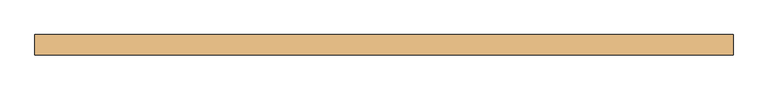
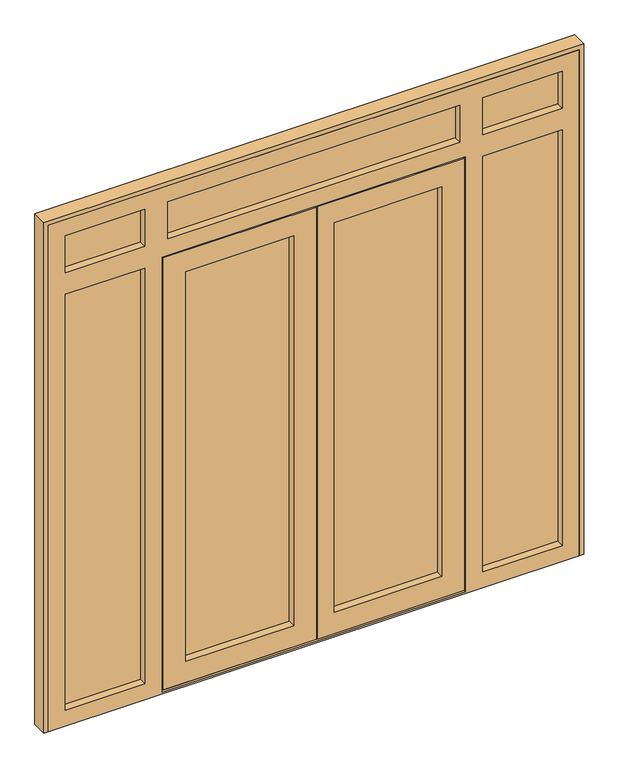
"""IFC4 building model written with IfcOpenShell, lengths in millimetres: door geometry."""

from ifc_helpers import new_model, si_unit, frame, origin, place, context, project, spatial, polyline, outline, extrude, faceted_brep, source, transform, mapped, element, save


def door_2cb1b5ca(model_context):
    return source(origin(), model_context, "Body", "SolidModel", [
        extrude(outline(polyline([(53.0, 91.0), (53.0, 65.0), (-462.0, 65.0), (-462.0, 91.0), (53.0, 91.0)])), frame((0.0, 0.0, 99.0), z_axis=(0.0, 0.0, 1.0), x_axis=(1.0, 0.0, 0.0)), (0.0, 0.0, 1.0), 1868.0),
        extrude(outline(polyline([(712.0, 91.0), (712.0, 65.0), (197.0, 65.0), (197.0, 91.0), (712.0, 91.0)])), frame((0.0, 0.0, 99.0), z_axis=(0.0, 0.0, 1.0), x_axis=(1.0, 0.0, 0.0)), (0.0, 0.0, 1.0), 1868.0),
        extrude(outline(polyline([(792.0, 91.0), (792.0, 65.0), (-542.0, 65.0), (-542.0, 91.0), (792.0, 91.0)])), frame((0.0, 0.0, 2113.0), z_axis=(0.0, 0.0, 1.0), x_axis=(1.0, 0.0, 0.0)), (0.0, 0.0, 1.0), 210.0),
        extrude(outline(polyline([(1248.0, 91.0), (1248.0, 65.0), (858.0, 65.0), (858.0, 91.0), (1248.0, 91.0)])), frame((0.0, 0.0, 2113.0), z_axis=(0.0, 0.0, 1.0), x_axis=(1.0, 0.0, 0.0)), (0.0, 0.0, 1.0), 210.0),
        extrude(outline(polyline([(-608.0, 91.0), (-608.0, 65.0), (-998.0, 65.0), (-998.0, 91.0), (-608.0, 91.0)])), frame((0.0, 0.0, 2113.0), z_axis=(0.0, 0.0, 1.0), x_axis=(1.0, 0.0, 0.0)), (0.0, 0.0, 1.0), 210.0),
        extrude(outline(polyline([(1248.0, 91.0), (1248.0, 65.0), (858.0, 65.0), (858.0, 91.0), (1248.0, 91.0)])), frame((0.0, 0.0, 57.0), z_axis=(0.0, 0.0, 1.0), x_axis=(1.0, 0.0, 0.0)), (0.0, 0.0, 1.0), 1990.0),
        extrude(outline(polyline([(-608.0, 91.0), (-608.0, 65.0), (-998.0, 65.0), (-998.0, 91.0), (-608.0, 91.0)])), frame((0.0, 0.0, 57.0), z_axis=(0.0, 0.0, 1.0), x_axis=(1.0, 0.0, 0.0)), (0.0, 0.0, 1.0), 1990.0),
        faceted_brep([(-544.0, 39.0, 17.0), (-534.0, 39.0, 17.0), (-534.0, 91.0, 17.0), (-524.0, 91.0, 17.0), (-524.0, 39.0, 17.0), (135.0, 39.0, 17.0), (135.0, 30.0, 17.0), (-544.0, 30.0, 17.0), (794.0, 39.0, 17.0), (794.0, 30.0, 17.0), (140.0, 30.0, 17.0), (140.0, 39.0, 17.0), (774.0, 39.0, 17.0), (774.0, 91.0, 17.0), (784.0, 91.0, 17.0), (784.0, 39.0, 17.0), (-544.0, 30.0, 2049.0), (-544.0, 39.0, 2049.0), (135.0, 30.0, 2049.0), (-444.0, 30.0, 1949.0), (35.0, 30.0, 1949.0), (35.0, 30.0, 117.0), (-444.0, 30.0, 117.0), (794.0, 30.0, 2049.0), (140.0, 30.0, 2049.0), (694.0, 30.0, 117.0), (215.0, 30.0, 117.0), (215.0, 30.0, 1949.0), (694.0, 30.0, 1949.0), (-444.0, 65.0, 117.0), (-444.0, 65.0, 1949.0), (712.0, 65.0, 99.0), (197.0, 65.0, 99.0), (197.0, 65.0, 1967.0), (712.0, 65.0, 1967.0), (694.0, 65.0, 1949.0), (215.0, 65.0, 1949.0), (215.0, 65.0, 117.0), (694.0, 65.0, 117.0), (-462.0, 65.0, 1967.0), (53.0, 65.0, 1967.0), (53.0, 65.0, 99.0), (-462.0, 65.0, 99.0), (35.0, 65.0, 117.0), (35.0, 65.0, 1949.0), (-462.0, 91.0, 99.0), (-462.0, 91.0, 1967.0), (712.0, 91.0, 1967.0), (197.0, 91.0, 1967.0), (197.0, 91.0, 99.0), (712.0, 91.0, 99.0), (694.0, 91.0, 117.0), (215.0, 91.0, 117.0), (215.0, 91.0, 1949.0), (694.0, 91.0, 1949.0), (53.0, 91.0, 99.0), (53.0, 91.0, 1967.0), (-444.0, 91.0, 1949.0), (35.0, 91.0, 1949.0), (35.0, 91.0, 117.0), (-444.0, 91.0, 117.0), (-444.0, 100.0, 117.0), (-444.0, 100.0, 1949.0), (769.0, 100.0, 42.0), (115.0, 100.0, 42.0), (115.0, 100.0, 2024.0), (769.0, 100.0, 2024.0), (694.0, 100.0, 1949.0), (215.0, 100.0, 1949.0), (215.0, 100.0, 117.0), (694.0, 100.0, 117.0), (-519.0, 100.0, 2024.0), (110.0, 100.0, 2024.0), (110.0, 100.0, 42.0), (-519.0, 100.0, 42.0), (35.0, 100.0, 117.0), (35.0, 100.0, 1949.0), (-519.0, 91.0, 42.0), (-519.0, 91.0, 2024.0), (774.0, 91.0, 27.0), (-524.0, 91.0, 27.0), (-534.0, 91.0, 2039.0), (784.0, 91.0, 2039.0), (769.0, 91.0, 2024.0), (115.0, 91.0, 2024.0), (115.0, 91.0, 42.0), (769.0, 91.0, 42.0), (110.0, 91.0, 42.0), (110.0, 91.0, 2024.0), (-534.0, 39.0, 2039.0), (135.0, 39.0, 2049.0), (135.0, 39.0, 2039.0), (784.0, 39.0, 2039.0), (140.0, 39.0, 2039.0), (140.0, 39.0, 2049.0), (794.0, 39.0, 2049.0), (774.0, 39.0, 27.0), (-524.0, 39.0, 27.0), (140.0, 39.0, 27.0), (135.0, 39.0, 27.0)], [[[0, 1, 2, 3, 4, 5, 6, 7]], [[8, 9, 10, 11, 12, 13, 14, 15]], [[7, 16, 17, 0]], [[7, 6, 18, 16], [19, 20, 21, 22]], [[23, 24, 10, 9], [25, 26, 27, 28]], [[19, 22, 29, 30]], [[31, 32, 33, 34], [35, 36, 37, 38]], [[39, 40, 41, 42], [29, 43, 44, 30]], [[39, 42, 45, 46]], [[47, 48, 49, 50], [51, 52, 53, 54]], [[45, 55, 56, 46], [57, 58, 59, 60]], [[57, 60, 61, 62]], [[63, 64, 65, 66], [67, 68, 69, 70]], [[71, 72, 73, 74], [61, 75, 76, 62]], [[71, 74, 77, 78]], [[14, 13, 79, 80, 3, 2, 81, 82], [83, 84, 85, 86], [87, 88, 78, 77]], [[1, 89, 81, 2]], [[0, 17, 90, 91, 89, 1]], [[92, 93, 94, 95, 8, 15]], [[16, 18, 90, 17]], [[95, 94, 24, 23]], [[30, 44, 20, 19]], [[28, 27, 36, 35]], [[46, 56, 40, 39]], [[34, 33, 48, 47]], [[62, 76, 58, 57]], [[54, 53, 68, 67]], [[78, 88, 72, 71]], [[66, 65, 84, 83]], [[89, 91, 93, 92, 82, 81]], [[9, 8, 95, 23]], [[35, 38, 25, 28]], [[47, 50, 31, 34]], [[67, 70, 51, 54]], [[83, 86, 63, 66]], [[82, 92, 15, 14]], [[38, 37, 26, 25]], [[22, 21, 43, 29]], [[42, 41, 55, 45]], [[50, 49, 32, 31]], [[70, 69, 52, 51]], [[60, 59, 75, 61]], [[79, 13, 12, 96]], [[97, 4, 3, 80]], [[96, 98, 99, 97, 80, 79]], [[74, 73, 87, 77]], [[86, 85, 64, 63]], [[12, 11, 98, 96]], [[97, 99, 5, 4]], [[65, 64, 85, 84]], [[68, 53, 52, 69]], [[33, 32, 49, 48]], [[36, 27, 26, 37]], [[10, 24, 94, 93, 98, 11]], [[91, 99, 98, 93]], [[5, 99, 91, 90, 18, 6]], [[43, 21, 20, 44]], [[56, 55, 41, 40]], [[75, 59, 58, 76]], [[73, 72, 88, 87]]]),
        faceted_brep([(-980.0, 30.0, 2305.0), (-980.0, 30.0, 2131.0), (-980.0, 65.0, 2131.0), (-980.0, 65.0, 2305.0), (-980.0, 65.0, 75.0), (-980.0, 65.0, 2029.0), (-980.0, 30.0, 2029.0), (-980.0, 30.0, 75.0), (-998.0, 65.0, 2323.0), (-998.0, 65.0, 2113.0), (-998.0, 91.0, 2113.0), (-998.0, 91.0, 2323.0), (-998.0, 91.0, 57.0), (-998.0, 91.0, 2047.0), (-998.0, 65.0, 2047.0), (-998.0, 65.0, 57.0), (-980.0, 91.0, 2305.0), (-980.0, 91.0, 2131.0), (-980.0, 100.0, 2131.0), (-980.0, 100.0, 2305.0), (-980.0, 100.0, 75.0), (-980.0, 100.0, 2029.0), (-980.0, 91.0, 2029.0), (-980.0, 91.0, 75.0), (-1055.0, 30.0, 0.0), (-1055.0, 30.0, 2380.0), (-1055.0, 100.0, 2380.0), (-1055.0, 100.0, 0.0), (1230.0, 30.0, 2305.0), (876.0, 30.0, 2305.0), (876.0, 65.0, 2305.0), (1230.0, 65.0, 2305.0), (-524.0, 30.0, 2305.0), (-524.0, 65.0, 2305.0), (774.0, 65.0, 2305.0), (774.0, 30.0, 2305.0), (-626.0, 65.0, 2305.0), (-626.0, 30.0, 2305.0), (-542.0, 65.0, 2323.0), (-542.0, 91.0, 2323.0), (792.0, 91.0, 2323.0), (792.0, 65.0, 2323.0), (858.0, 65.0, 2323.0), (858.0, 91.0, 2323.0), (1248.0, 91.0, 2323.0), (1248.0, 65.0, 2323.0), (-608.0, 91.0, 2323.0), (-608.0, 65.0, 2323.0), (1230.0, 91.0, 2305.0), (876.0, 91.0, 2305.0), (876.0, 100.0, 2305.0), (1230.0, 100.0, 2305.0), (-524.0, 91.0, 2305.0), (-524.0, 100.0, 2305.0), (774.0, 100.0, 2305.0), (774.0, 91.0, 2305.0), (-626.0, 100.0, 2305.0), (-626.0, 91.0, 2305.0), (1305.0, 30.0, 2380.0), (1305.0, 100.0, 2380.0), (1230.0, 30.0, 75.0), (1230.0, 30.0, 2029.0), (1230.0, 65.0, 2029.0), (1230.0, 65.0, 75.0), (1230.0, 65.0, 2131.0), (1230.0, 30.0, 2131.0), (1248.0, 65.0, 57.0), (1248.0, 65.0, 2047.0), (1248.0, 91.0, 2047.0), (1248.0, 91.0, 57.0), (1248.0, 91.0, 2113.0), (1248.0, 65.0, 2113.0), (1230.0, 91.0, 75.0), (1230.0, 91.0, 2029.0), (1230.0, 100.0, 2029.0), (1230.0, 100.0, 75.0), (1230.0, 100.0, 2131.0), (1230.0, 91.0, 2131.0), (1305.0, 30.0, 0.0), (1305.0, 100.0, 0.0), (799.0, 30.0, 9.0), (799.0, 39.0, 9.0), (-549.0, 39.0, 9.0), (-549.0, 30.0, 9.0), (799.0, 39.0, 2054.0), (-549.0, 39.0, 2054.0), (-534.0, 39.0, 2039.0), (784.0, 39.0, 2039.0), (784.0, 39.0, 27.0), (-534.0, 39.0, 27.0), (-524.0, 100.0, 27.0), (-524.0, 91.0, 27.0), (-534.0, 91.0, 27.0), (784.0, 91.0, 27.0), (774.0, 91.0, 27.0), (774.0, 100.0, 27.0), (-549.0, 30.0, 2054.0), (799.0, 30.0, 2054.0), (-534.0, 91.0, 2039.0), (784.0, 91.0, 2039.0), (-524.0, 100.0, 2029.0), (-524.0, 91.0, 2029.0), (-626.0, 65.0, 75.0), (-626.0, 30.0, 75.0), (-626.0, 30.0, 2029.0), (-626.0, 65.0, 2029.0), (876.0, 65.0, 2029.0), (876.0, 30.0, 2029.0), (876.0, 30.0, 75.0), (876.0, 65.0, 75.0), (774.0, 91.0, 2029.0), (774.0, 100.0, 2029.0), (-626.0, 30.0, 2131.0), (876.0, 30.0, 2131.0), (774.0, 30.0, 2131.0), (-524.0, 30.0, 2131.0), (-608.0, 65.0, 2113.0), (-626.0, 65.0, 2131.0), (792.0, 65.0, 2113.0), (-542.0, 65.0, 2113.0), (-524.0, 65.0, 2131.0), (774.0, 65.0, 2131.0), (858.0, 65.0, 2113.0), (876.0, 65.0, 2131.0), (858.0, 65.0, 57.0), (858.0, 65.0, 2047.0), (-608.0, 65.0, 2047.0), (-608.0, 65.0, 57.0), (-608.0, 91.0, 57.0), (-542.0, 91.0, 2113.0), (792.0, 91.0, 2113.0), (774.0, 91.0, 2131.0), (-524.0, 91.0, 2131.0), (858.0, 91.0, 2113.0), (876.0, 91.0, 2131.0), (-608.0, 91.0, 2047.0), (-626.0, 91.0, 2029.0), (-626.0, 91.0, 75.0), (858.0, 91.0, 2047.0), (858.0, 91.0, 57.0), (876.0, 91.0, 75.0), (876.0, 91.0, 2029.0), (-608.0, 91.0, 2113.0), (-626.0, 91.0, 2131.0), (-626.0, 100.0, 75.0), (876.0, 100.0, 2131.0), (-626.0, 100.0, 2029.0), (876.0, 100.0, 2029.0), (876.0, 100.0, 75.0), (774.0, 100.0, 2131.0), (-524.0, 100.0, 2131.0), (-626.0, 100.0, 2131.0)], [[[0, 1, 2, 3]], [[4, 5, 6, 7]], [[8, 9, 10, 11]], [[12, 13, 14, 15]], [[16, 17, 18, 19]], [[20, 21, 22, 23]], [[24, 25, 26, 27]], [[28, 29, 30, 31]], [[32, 33, 34, 35]], [[3, 36, 37, 0]], [[38, 39, 40, 41]], [[42, 43, 44, 45]], [[46, 47, 8, 11]], [[48, 49, 50, 51]], [[52, 53, 54, 55]], [[19, 56, 57, 16]], [[58, 59, 26, 25]], [[60, 61, 62, 63]], [[31, 64, 65, 28]], [[66, 67, 68, 69]], [[44, 70, 71, 45]], [[72, 73, 74, 75]], [[51, 76, 77, 48]], [[58, 78, 79, 59]], [[80, 81, 82, 83]], [[82, 81, 84, 85], [86, 87, 88, 89]], [[90, 91, 92, 89, 88, 93, 94, 95]], [[96, 85, 84, 97]], [[86, 98, 99, 87]], [[100, 101, 91, 90]], [[89, 92, 98, 86]], [[83, 82, 85, 96]], [[102, 103, 104, 105]], [[106, 107, 108, 109]], [[97, 84, 81, 80]], [[87, 99, 93, 88]], [[95, 94, 110, 111]], [[58, 25, 24, 78], [0, 37, 112, 1], [28, 65, 113, 29], [83, 96, 97, 80], [60, 108, 107, 61], [35, 114, 115, 32], [6, 104, 103, 7]], [[7, 103, 102, 4]], [[8, 47, 116, 9], [2, 117, 36, 3]], [[41, 118, 119, 38], [33, 120, 121, 34]], [[71, 122, 42, 45], [31, 30, 123, 64]], [[66, 124, 125, 67], [62, 106, 109, 63]], [[14, 126, 127, 15], [4, 102, 105, 5]], [[15, 127, 128, 12]], [[110, 94, 93, 99, 98, 92, 91, 101]], [[40, 39, 129, 130], [55, 131, 132, 52]], [[44, 43, 133, 70], [77, 134, 49, 48]], [[12, 128, 135, 13], [22, 136, 137, 23]], [[68, 138, 139, 69], [72, 140, 141, 73]], [[10, 142, 46, 11], [16, 57, 143, 17]], [[23, 137, 144, 20]], [[26, 59, 79, 27], [76, 51, 50, 145], [95, 111, 100, 90], [20, 144, 146, 21], [74, 147, 148, 75], [149, 54, 53, 150], [18, 151, 56, 19]], [[27, 79, 78, 24]], [[63, 109, 108, 60]], [[69, 139, 124, 66]], [[75, 148, 140, 72]], [[127, 126, 135, 128]], [[144, 137, 136, 146]], [[147, 141, 140, 148]], [[139, 138, 125, 124]], [[132, 150, 53, 52]], [[39, 38, 119, 129]], [[115, 120, 33, 32]], [[37, 36, 117, 112]], [[113, 123, 30, 29]], [[35, 34, 121, 114]], [[130, 118, 41, 40]], [[55, 54, 149, 131]], [[142, 116, 47, 46]], [[57, 56, 151, 143]], [[134, 145, 50, 49]], [[43, 42, 122, 133]], [[1, 112, 117, 2]], [[64, 123, 113, 65]], [[114, 121, 120, 115]], [[5, 105, 104, 6]], [[61, 107, 106, 62]], [[67, 125, 138, 68]], [[13, 135, 126, 14]], [[21, 146, 136, 22]], [[111, 110, 101, 100]], [[73, 141, 147, 74]], [[17, 143, 151, 18]], [[76, 145, 134, 77]], [[131, 149, 150, 132]], [[118, 130, 129, 119]], [[116, 142, 10, 9]], [[133, 122, 71, 70]]]),
        extrude(outline(polyline([(2400.0, -1075.0), (0.0, -1075.0), (0.0, -1055.0), (2380.0, -1055.0), (2380.0, 1305.0), (0.0, 1305.0), (0.0, 1325.0), (2400.0, 1325.0), (2400.0, -1075.0)])), frame((0.0, 30.0, 0.0), z_axis=(0.0, 1.0, 0.0), x_axis=(0.0, 0.0, 1.0)), (0.0, 0.0, 1.0), 70.0),
    ])


if __name__ == "__main__":
    model = new_model("IFC4")
    model_context = context("Model", 3, world=origin())
    ifc_project = project(units=[si_unit("LENGTHUNIT", "METRE", prefix="MILLI")], contexts=[model_context])
    site = spatial("IfcSite", under=ifc_project)
    building = spatial("IfcBuilding", under=site)
    placement = place(None, origin())
    door_shape = door_2cb1b5ca(model_context)
    element("IfcDoor", 1, at=placement, inside=building, context=model_context, shape_type="MappedRepresentation", body=[
        mapped(door_shape, transform((0.0, 0.0, 0.0), x_axis=(1.0, 0.0, 0.0), y_axis=(0.0, 1.0, 0.0), z_axis=(0.0, 0.0, 1.0))),
    ])
    save(model, "model.ifc")
